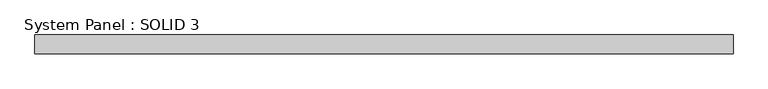
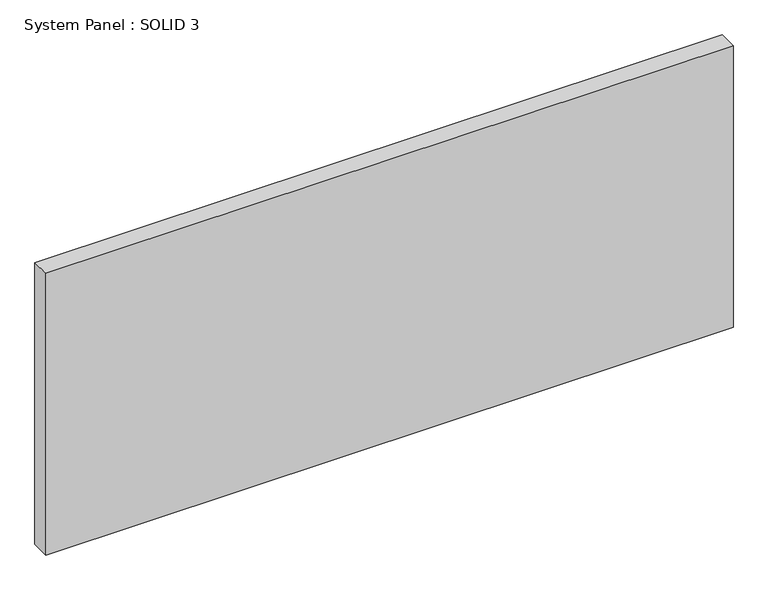
"""IFC4 building model written with IfcOpenShell, lengths in millimetres: plate geometry, System Panel : SOLID 3."""

from ifc_helpers import new_model, si_unit, origin, origin_with_axes, place, context, project, spatial, polyline, outline, extrude, source, transform, mapped, element, save


def system_panel_solid_3_c9df3767(model_context):
    return source(origin(), model_context, "Body", "SweptSolid", [
        extrude(outline(polyline([(1465.0, 80.0), (-1465.0, 80.0), (-1465.0, 160.0), (1465.0, 160.0), (1465.0, 80.0)])), origin_with_axes(), (0.0, 0.0, 1.0), 1269.6666667),
    ])


if __name__ == "__main__":
    model = new_model("IFC4")
    model_context = context("Model", 3, world=origin())
    ifc_project = project(units=[si_unit("LENGTHUNIT", "METRE", prefix="MILLI")], contexts=[model_context])
    site = spatial("IfcSite", under=ifc_project)
    building = spatial("IfcBuilding", under=site)
    placement = place(None, origin())
    system_panel_solid_3_shape = system_panel_solid_3_c9df3767(model_context)
    element("IfcPlate", 1, ObjectType="System Panel : SOLID 3", at=placement, inside=building, context=model_context, shape_type="MappedRepresentation", body=[
        mapped(system_panel_solid_3_shape, transform((0.0, 0.0, 0.0), x_axis=(1.0, 0.0, 0.0), y_axis=(0.0, 1.0, 0.0), z_axis=(0.0, 0.0, 1.0))),
    ])
    save(model, "model.ifc")
